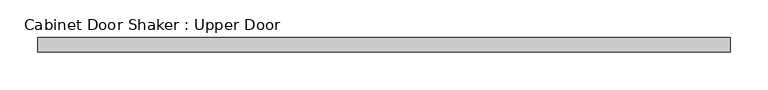
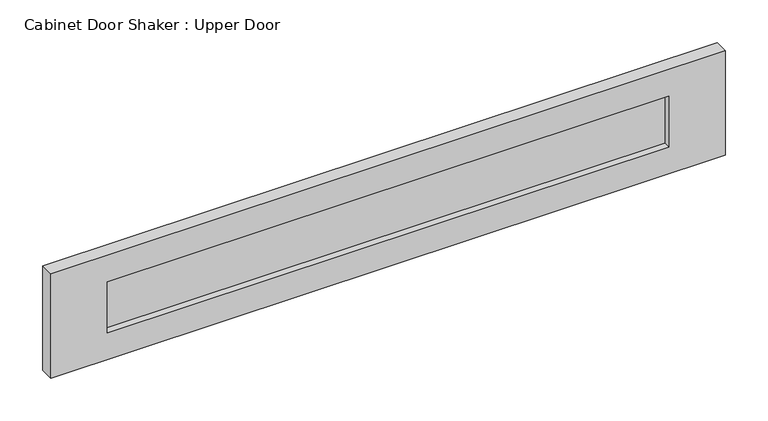
"""IFC4 building model written with IfcOpenShell, lengths in millimetres: proxy geometry, Cabinet Door Shaker : Upper Door."""

import ifcopenshell
import ifcopenshell.guid

model = None  # the IFC model being written
_history = None  # IfcOwnerHistory: only IFC2X3 demands one
_inside = {}  # id of a spatial element -> (the spatial element, [elements in it])
_under = {}  # id of a project, library or spatial element -> (it, [spatial elements below it])
_declared = {}  # id of a project -> (the project, [libraries it declares])
_typed = {}  # id of a type object -> (the type object, [elements of that type])
_made_of = {}  # id of a material, layer set ... -> (it, [elements and type objects made of it])


def new_model(schema):
    """Start an empty IFC model of exactly this schema.

    Asked for "IFC4X3", IfcOpenShell would pick the latest addendum, in which some entities
    have other attributes; the version numbers below select the first issue.
    IFC2X3 requires an IfcOwnerHistory on every rooted entity: one is made here for all.
    """
    global model, _history
    if schema == "IFC4X3":
        model = ifcopenshell.file(schema_version=(4, 3, 0, 0))
    else:
        model = ifcopenshell.file(schema=schema)
    _inside.clear()
    _under.clear()
    _declared.clear()
    _typed.clear()
    _made_of.clear()
    _history = None
    if model.schema == "IFC2X3":
        org = make("IfcOrganization", Name="unknown")
        user = make(
            "IfcPersonAndOrganization",
            ThePerson=make("IfcPerson", FamilyName="unknown"),
            TheOrganization=org,
        )
        app = make(
            "IfcApplication",
            ApplicationDeveloper=org,
            Version="unknown",
            ApplicationFullName="unknown",
            ApplicationIdentifier="unknown",
        )
        _history = make(
            "IfcOwnerHistory",
            OwningUser=user,
            OwningApplication=app,
            ChangeAction="ADDED",
            CreationDate=0,
        )
    return model


def make(cls, **values):
    """One entity of the class cls with the attributes given. An attribute that is None is left unset."""
    return model.create_entity(
        cls, **{name: value for name, value in values.items() if value is not None}
    )


def rooted(cls, **values):
    """An entity with a GlobalId (a new one), such as an element, a storey or a relation."""
    return make(cls, GlobalId=ifcopenshell.guid.new(), OwnerHistory=_history, **values)


def si_unit(unit_type, name, prefix=None):
    """IfcSIUnit, for example si_unit("LENGTHUNIT", "METRE", prefix="MILLI")."""
    return make("IfcSIUnit", UnitType=unit_type, Prefix=prefix, Name=name)


def assignment(units):
    """IfcUnitAssignment: the units of a project."""
    return None if units is None else make("IfcUnitAssignment", Units=units)


def point(xyz):
    """IfcCartesianPoint."""
    return None if xyz is None else make("IfcCartesianPoint", Coordinates=xyz)


def direction(xyz):
    """IfcDirection."""
    return None if xyz is None else make("IfcDirection", DirectionRatios=xyz)


def frame(location, z_axis=None, x_axis=None):
    """IfcAxis2Placement3D, a coordinate frame: its origin and axes. An axis left out is left unset."""
    return make(
        "IfcAxis2Placement3D",
        Location=point(location),
        Axis=direction(z_axis),
        RefDirection=direction(x_axis),
    )


def origin():
    """The frame at (0, 0, 0) with its axes left unset."""
    return frame((0.0, 0.0, 0.0))


def place(relative_to, where):
    """IfcLocalPlacement: puts the frame where relative to a parent placement (None: the world)."""
    return make(
        "IfcLocalPlacement", PlacementRelTo=relative_to, RelativePlacement=where
    )


def context(
    kind, dimensions, precision=None, world=None, true_north=None, identifier=None
):
    """IfcGeometricRepresentationContext, for example the 3D "Model" context."""
    return make(
        "IfcGeometricRepresentationContext",
        ContextIdentifier=identifier,
        ContextType=kind,
        CoordinateSpaceDimension=dimensions,
        Precision=precision,
        WorldCoordinateSystem=world,
        TrueNorth=true_north,
    )


def project(units=None, contexts=None):
    """IfcProject with its units and contexts."""
    return rooted(
        "IfcProject",
        Name="project",
        RepresentationContexts=contexts,
        UnitsInContext=assignment(units),
    )


def spatial(cls, under=None, at=None, **own):
    """A site, building, storey or space (cls), placed at a placement, below another one or the project."""
    s = rooted(cls, ObjectPlacement=at, **own)
    if under is not None:
        _under.setdefault(under.id(), (under, []))[1].append(s)
    return s


def polyline(points):
    """IfcPolyline through the points."""
    return make("IfcPolyline", Points=[point(p) for p in points])


def outline(outer, holes=None, kind="AREA"):
    """IfcArbitraryClosedProfileDef: a profile drawn as a closed curve; with holes, ...WithVoids."""
    if holes is None:
        return make("IfcArbitraryClosedProfileDef", ProfileType=kind, OuterCurve=outer)
    return make(
        "IfcArbitraryProfileDefWithVoids",
        ProfileType=kind,
        OuterCurve=outer,
        InnerCurves=holes,
    )


def extrude(swept, where, along, depth):
    """IfcExtrudedAreaSolid: the profile swept, set in the frame where, extruded along a direction by depth."""
    return make(
        "IfcExtrudedAreaSolid",
        SweptArea=swept,
        Position=where,
        ExtrudedDirection=direction(along),
        Depth=depth,
    )


def shape(context_of_items, identifier, shape_type, items):
    """IfcShapeRepresentation: the items that make up one representation, for example the "Body"."""
    return make(
        "IfcShapeRepresentation",
        ContextOfItems=context_of_items,
        RepresentationIdentifier=identifier,
        RepresentationType=shape_type,
        Items=items,
    )


def source(mapping_origin, context_of_items, identifier, shape_type, items):
    """IfcRepresentationMap: a shape defined once, which mapped items show again and again."""
    return make(
        "IfcRepresentationMap",
        MappingOrigin=mapping_origin,
        MappedRepresentation=shape(context_of_items, identifier, shape_type, items),
    )


def transform(
    local_origin,
    x_axis=None,
    y_axis=None,
    z_axis=None,
    scale=None,
    scale2=None,
    scale3=None,
    uniform=True,
):
    """IfcCartesianTransformationOperator3D, or its non-uniform kind. x_axis, y_axis, z_axis: its Axis1, 2, 3."""
    if uniform:
        return make(
            "IfcCartesianTransformationOperator3D",
            Axis1=direction(x_axis),
            Axis2=direction(y_axis),
            LocalOrigin=point(local_origin),
            Scale=scale,
            Axis3=direction(z_axis),
        )
    return make(
        "IfcCartesianTransformationOperator3DnonUniform",
        Axis1=direction(x_axis),
        Axis2=direction(y_axis),
        LocalOrigin=point(local_origin),
        Scale=scale,
        Axis3=direction(z_axis),
        Scale2=scale2,
        Scale3=scale3,
    )


def mapped(mapping_source, mapping_target):
    """IfcMappedItem: shows the shape of a source again, moved by a transform."""
    return make(
        "IfcMappedItem", MappingSource=mapping_source, MappingTarget=mapping_target
    )


def made_of(thing, what):
    """Note that an element or type object is made of a material, layer set ...; save() writes the relation."""
    if what is not None:
        _made_of.setdefault(what.id(), (what, []))[1].append(thing)
    return thing


def element(
    cls,
    number,
    at=None,
    inside=None,
    cuts=None,
    type_object=None,
    material=None,
    context=None,
    identifier="Body",
    shape_type=None,
    held_by="IfcProductDefinitionShape",
    body=None,
    shapes=None,
    **own,
):
    """One element of the class cls, such as IfcWall. Its Tag is "e" and its number.

    at: its placement. inside: the storey or other place that contains it. cuts: it is an
    opening in that element (IfcRelVoidsElement). A single representation is given by context,
    identifier, shape_type and body (its items); several are given by shapes. held_by: the class
    of the entity that holds the representations. save() writes the other relations.
    """
    e = rooted(cls, Tag="e%d" % number, ObjectPlacement=at, **own)
    if body is not None:
        shapes = [shape(context, identifier, shape_type, body)]
    if shapes is not None:
        e.Representation = make(held_by, Representations=shapes)
    if inside is not None:
        _inside.setdefault(inside.id(), (inside, []))[1].append(e)
    if cuts is not None:
        rooted(
            "IfcRelVoidsElement", RelatingBuildingElement=cuts, RelatedOpeningElement=e
        )
    if type_object is not None:
        _typed.setdefault(type_object.id(), (type_object, []))[1].append(e)
    return made_of(e, material)


def aggregate(whole, parts):
    """IfcRelAggregates: a whole, such as a stair, and the parts it consists of."""
    return rooted("IfcRelAggregates", RelatingObject=whole, RelatedObjects=parts)


def save(model, path):
    """Write the relations noted so far, then the file.

    IfcRelAggregates (storeys below a building ...), IfcRelContainedInSpatialStructure (elements
    in a storey), IfcRelDefinesByType, IfcRelAssociatesMaterial and IfcRelDeclares: one each for
    every whole, place, type object, material and project.
    """
    for whole, parts in _under.values():
        aggregate(whole, parts)
    for where, things in _inside.values():
        rooted(
            "IfcRelContainedInSpatialStructure",
            RelatedElements=things,
            RelatingStructure=where,
        )
    for kind, things in _typed.values():
        rooted("IfcRelDefinesByType", RelatedObjects=things, RelatingType=kind)
    for what, things in _made_of.values():
        rooted("IfcRelAssociatesMaterial", RelatedObjects=things, RelatingMaterial=what)
    for by, libraries in _declared.values():
        rooted("IfcRelDeclares", RelatingContext=by, RelatedDefinitions=libraries)
    model.write(path)


def cabinet_door_shaker_upper_door_f3f53d1d(model_context):
    return source(origin(), model_context, "Body", "SweptSolid", [
        extrude(outline(polyline([(379.4125, -9.525), (-379.4125, -9.525), (-379.4125, 0.0), (379.4125, 0.0), (379.4125, -9.525)])), frame((0.0, 0.0, 39.6875), z_axis=(0.0, 0.0, 1.0), x_axis=(1.0, 0.0, 0.0)), (0.0, 0.0, 1.0), 73.025),
        extrude(outline(polyline([(150.8125, 455.6125), (150.8125, -455.6125), (1.5875, -455.6125), (1.5875, 455.6125), (150.8125, 455.6125)]), holes=[polyline([(39.6875, 379.4125), (39.6875, -379.4125), (112.7125, -379.4125), (112.7125, 379.4125), (39.6875, 379.4125)])]), frame((0.0, -19.05, 0.0), z_axis=(0.0, 1.0, 0.0), x_axis=(0.0, 0.0, 1.0)), (0.0, 0.0, 1.0), 19.05),
    ])


if __name__ == "__main__":
    model = new_model("IFC4")
    model_context = context("Model", 3, world=origin())
    ifc_project = project(units=[si_unit("LENGTHUNIT", "METRE", prefix="MILLI")], contexts=[model_context])
    site = spatial("IfcSite", under=ifc_project)
    building = spatial("IfcBuilding", under=site)
    placement = place(None, origin())
    cabinet_door_shaker_upper_door_shape = cabinet_door_shaker_upper_door_f3f53d1d(model_context)
    element("IfcBuildingElementProxy", 1, Name="Cabinet Door Shaker : Upper Door", ObjectType="Cabinet Door Shaker : Upper Door", at=placement, inside=building, context=model_context, shape_type="MappedRepresentation", body=[
        mapped(cabinet_door_shaker_upper_door_shape, transform((0.0, 0.0, 0.0), x_axis=(1.0, 0.0, 0.0), y_axis=(0.0, 1.0, 0.0), z_axis=(0.0, 0.0, 1.0))),
    ])
    save(model, "model.ifc")
